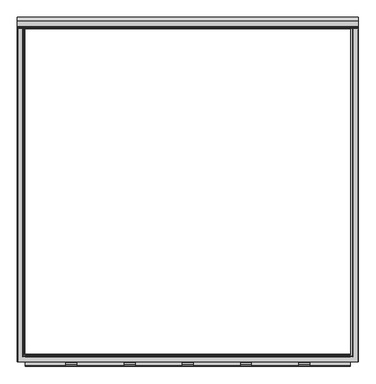
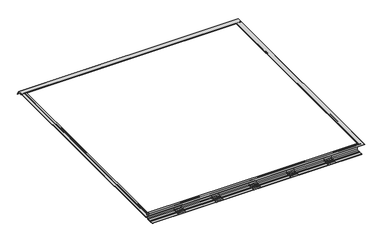
"""IFC4 building model written with IfcOpenShell, lengths in millimetres: fastener geometry."""

from ifc_helpers import new_model, si_unit, point, frame, frame_2d, origin, place, context, project, spatial, polyline, circle_curve, ellipse_curve, trimmed, segment, composite_curve, outline, extrude, source, transform, mapped, element, save
from ifc_brep_helpers import plane_surface, cylinder_surface, revolved_surface, advanced_brep


def fastener_3b03857c(model_context):
    return source(origin(), model_context, "Body", "SolidModel", [
        extrude(outline(composite_curve([segment(trimmed(circle_curve(frame_2d((-1145.5700599, -78.4836108)), 7.5509517), [point((-1138.0191082, -78.4836108))], [point((-1145.5700599, -86.0345625))], False, "CARTESIAN"), True, "CONTINUOUS"), segment(polyline([(-1145.5700599, -86.0345625), (-1177.5500422, -86.0345625)]), True, "CONTINUOUS"), segment(trimmed(circle_curve(frame_2d((-1177.2863618, -84.9784961)), 1.0884868), [point((-1177.5500422, -86.0345625))], [point((-1178.0560382, -84.2088197))], False, "CARTESIAN"), True, "CONTINUOUS"), segment(polyline([(-1178.0560382, -84.2088197), (-1176.7465916, -82.8993731)]), True, "CONTINUOUS"), segment(trimmed(circle_curve(frame_2d((-1177.516268, -82.1296966)), 1.0884868), [point((-1176.7465916, -82.8993731))], [point((-1176.911598, -81.2246122))], True, "CARTESIAN"), True, "CONTINUOUS"), segment(polyline([(-1176.911598, -81.2246122), (-1186.4250513, -81.2246122)]), True, "CONTINUOUS"), segment(trimmed(circle_curve(frame_2d((-1185.8203813, -82.1296966)), 1.0884868), [point((-1186.4250513, -81.2246122))], [point((-1186.5900578, -82.8993731))], True, "CARTESIAN"), True, "CONTINUOUS"), segment(polyline([(-1186.5900578, -82.8993731), (-1185.2806111, -84.2088197)]), True, "CONTINUOUS"), segment(trimmed(circle_curve(frame_2d((-1186.0502876, -84.9784961)), 1.0884868), [point((-1185.2806111, -84.2088197))], [point((-1185.7866071, -86.0345625))], False, "CARTESIAN"), True, "CONTINUOUS"), segment(polyline([(-1185.7866071, -86.0345625), (-1219.2, -86.0345625)]), True, "CONTINUOUS"), segment(trimmed(circle_curve(frame_2d((-1211.6858077, -85.3021667)), 7.5498006), [point((-1219.2, -86.0345625))], [point((-1211.6858077, -77.7523661))], False, "CARTESIAN"), True, "CONTINUOUS"), segment(polyline([(-1211.6858077, -77.7523661), (-1195.9627839, -77.7523661)]), True, "CONTINUOUS"), segment(trimmed(circle_curve(frame_2d((-1195.8562589, -73.7759938)), 3.977799), [point((-1195.9627839, -77.7523661))], [point((-1193.0435303, -76.5887224))], True, "CARTESIAN"), True, "CONTINUOUS"), segment(polyline([(-1193.0435303, -76.5887224), (-1190.9210407, -74.4662329)]), True, "CONTINUOUS"), segment(trimmed(circle_curve(frame_2d((-1188.1083121, -77.2789615)), 3.977799), [point((-1190.9210407, -74.4662329))], [point((-1188.0183247, -73.3021806))], False, "CARTESIAN"), True, "CONTINUOUS"), segment(polyline([(-1188.0183247, -73.3021806), (-1175.3183247, -73.3021806)]), True, "CONTINUOUS"), segment(trimmed(circle_curve(frame_2d((-1175.2283372, -77.2789615)), 3.977799), [point((-1175.3183247, -73.3021806))], [point((-1172.4156086, -74.4662329))], False, "CARTESIAN"), True, "CONTINUOUS"), segment(polyline([(-1172.4156086, -74.4662329), (-1170.2931191, -76.5887224)]), True, "CONTINUOUS"), segment(trimmed(circle_curve(frame_2d((-1167.4803904, -73.7759938)), 3.977799), [point((-1170.2931191, -76.5887224))], [point((-1167.3738655, -77.7523661))], True, "CARTESIAN"), True, "CONTINUOUS"), segment(polyline([(-1167.3738655, -77.7523661), (-1150.9842926, -77.7523661)]), True, "CONTINUOUS"), segment(trimmed(circle_curve(frame_2d((-1150.2040874, -71.9697836)), 5.8349791), [point((-1150.9842926, -77.7523661))], [point((-1144.3691082, -71.9697836))], True, "CARTESIAN"), True, "CONTINUOUS"), segment(polyline([(-1144.3691082, -71.9697836), (-1144.3691082, -38.7961108), (-1138.0191082, -38.7961108), (-1138.0191082, -78.4836108)]), True, "CONTINUOUS")], self_intersect=False)), frame((774.7, 0.0, 0.0), z_axis=(1.0, 0.0, 0.0), x_axis=(0.0, 1.0, 0.0)), (0.0, 0.0, 1.0), 76.2),
        extrude(outline(composite_curve([segment(trimmed(circle_curve(frame_2d((-1145.5700599, -78.4836108)), 7.5509517), [point((-1138.0191082, -78.4836108))], [point((-1145.5700599, -86.0345625))], False, "CARTESIAN"), True, "CONTINUOUS"), segment(polyline([(-1145.5700599, -86.0345625), (-1177.5500422, -86.0345625)]), True, "CONTINUOUS"), segment(trimmed(circle_curve(frame_2d((-1177.2863618, -84.9784961)), 1.0884868), [point((-1177.5500422, -86.0345625))], [point((-1178.0560382, -84.2088197))], False, "CARTESIAN"), True, "CONTINUOUS"), segment(polyline([(-1178.0560382, -84.2088197), (-1176.7465916, -82.8993731)]), True, "CONTINUOUS"), segment(trimmed(circle_curve(frame_2d((-1177.516268, -82.1296966)), 1.0884868), [point((-1176.7465916, -82.8993731))], [point((-1176.911598, -81.2246122))], True, "CARTESIAN"), True, "CONTINUOUS"), segment(polyline([(-1176.911598, -81.2246122), (-1186.4250513, -81.2246122)]), True, "CONTINUOUS"), segment(trimmed(circle_curve(frame_2d((-1185.8203813, -82.1296966)), 1.0884868), [point((-1186.4250513, -81.2246122))], [point((-1186.5900578, -82.8993731))], True, "CARTESIAN"), True, "CONTINUOUS"), segment(polyline([(-1186.5900578, -82.8993731), (-1185.2806111, -84.2088197)]), True, "CONTINUOUS"), segment(trimmed(circle_curve(frame_2d((-1186.0502876, -84.9784961)), 1.0884868), [point((-1185.2806111, -84.2088197))], [point((-1185.7866071, -86.0345625))], False, "CARTESIAN"), True, "CONTINUOUS"), segment(polyline([(-1185.7866071, -86.0345625), (-1219.2, -86.0345625)]), True, "CONTINUOUS"), segment(trimmed(circle_curve(frame_2d((-1211.6858077, -85.3021667)), 7.5498006), [point((-1219.2, -86.0345625))], [point((-1211.6858077, -77.7523661))], False, "CARTESIAN"), True, "CONTINUOUS"), segment(polyline([(-1211.6858077, -77.7523661), (-1195.9627839, -77.7523661)]), True, "CONTINUOUS"), segment(trimmed(circle_curve(frame_2d((-1195.8562589, -73.7759938)), 3.977799), [point((-1195.9627839, -77.7523661))], [point((-1193.0435303, -76.5887224))], True, "CARTESIAN"), True, "CONTINUOUS"), segment(polyline([(-1193.0435303, -76.5887224), (-1190.9210407, -74.4662329)]), True, "CONTINUOUS"), segment(trimmed(circle_curve(frame_2d((-1188.1083121, -77.2789615)), 3.977799), [point((-1190.9210407, -74.4662329))], [point((-1188.0183247, -73.3021806))], False, "CARTESIAN"), True, "CONTINUOUS"), segment(polyline([(-1188.0183247, -73.3021806), (-1175.3183247, -73.3021806)]), True, "CONTINUOUS"), segment(trimmed(circle_curve(frame_2d((-1175.2283372, -77.2789615)), 3.977799), [point((-1175.3183247, -73.3021806))], [point((-1172.4156086, -74.4662329))], False, "CARTESIAN"), True, "CONTINUOUS"), segment(polyline([(-1172.4156086, -74.4662329), (-1170.2931191, -76.5887224)]), True, "CONTINUOUS"), segment(trimmed(circle_curve(frame_2d((-1167.4803904, -73.7759938)), 3.977799), [point((-1170.2931191, -76.5887224))], [point((-1167.3738655, -77.7523661))], True, "CARTESIAN"), True, "CONTINUOUS"), segment(polyline([(-1167.3738655, -77.7523661), (-1150.9842926, -77.7523661)]), True, "CONTINUOUS"), segment(trimmed(circle_curve(frame_2d((-1150.2040874, -71.9697836)), 5.8349791), [point((-1150.9842926, -77.7523661))], [point((-1144.3691082, -71.9697836))], True, "CARTESIAN"), True, "CONTINUOUS"), segment(polyline([(-1144.3691082, -71.9697836), (-1144.3691082, -38.7961108), (-1138.0191082, -38.7961108), (-1138.0191082, -78.4836108)]), True, "CONTINUOUS")], self_intersect=False)), frame((-850.9, 0.0, 0.0), z_axis=(1.0, 0.0, 0.0), x_axis=(0.0, 1.0, 0.0)), (0.0, 0.0, 1.0), 76.2),
        extrude(outline(composite_curve([segment(trimmed(circle_curve(frame_2d((-1145.5700599, -78.4836108)), 7.5509517), [point((-1138.0191082, -78.4836108))], [point((-1145.5700599, -86.0345625))], False, "CARTESIAN"), True, "CONTINUOUS"), segment(polyline([(-1145.5700599, -86.0345625), (-1177.5500422, -86.0345625)]), True, "CONTINUOUS"), segment(trimmed(circle_curve(frame_2d((-1177.2863618, -84.9784961)), 1.0884868), [point((-1177.5500422, -86.0345625))], [point((-1178.0560382, -84.2088197))], False, "CARTESIAN"), True, "CONTINUOUS"), segment(polyline([(-1178.0560382, -84.2088197), (-1176.7465916, -82.8993731)]), True, "CONTINUOUS"), segment(trimmed(circle_curve(frame_2d((-1177.516268, -82.1296966)), 1.0884868), [point((-1176.7465916, -82.8993731))], [point((-1176.911598, -81.2246122))], True, "CARTESIAN"), True, "CONTINUOUS"), segment(polyline([(-1176.911598, -81.2246122), (-1186.4250513, -81.2246122)]), True, "CONTINUOUS"), segment(trimmed(circle_curve(frame_2d((-1185.8203813, -82.1296966)), 1.0884868), [point((-1186.4250513, -81.2246122))], [point((-1186.5900578, -82.8993731))], True, "CARTESIAN"), True, "CONTINUOUS"), segment(polyline([(-1186.5900578, -82.8993731), (-1185.2806111, -84.2088197)]), True, "CONTINUOUS"), segment(trimmed(circle_curve(frame_2d((-1186.0502876, -84.9784961)), 1.0884868), [point((-1185.2806111, -84.2088197))], [point((-1185.7866071, -86.0345625))], False, "CARTESIAN"), True, "CONTINUOUS"), segment(polyline([(-1185.7866071, -86.0345625), (-1219.2, -86.0345625)]), True, "CONTINUOUS"), segment(trimmed(circle_curve(frame_2d((-1211.6858077, -85.3021667)), 7.5498006), [point((-1219.2, -86.0345625))], [point((-1211.6858077, -77.7523661))], False, "CARTESIAN"), True, "CONTINUOUS"), segment(polyline([(-1211.6858077, -77.7523661), (-1195.9627839, -77.7523661)]), True, "CONTINUOUS"), segment(trimmed(circle_curve(frame_2d((-1195.8562589, -73.7759938)), 3.977799), [point((-1195.9627839, -77.7523661))], [point((-1193.0435303, -76.5887224))], True, "CARTESIAN"), True, "CONTINUOUS"), segment(polyline([(-1193.0435303, -76.5887224), (-1190.9210407, -74.4662329)]), True, "CONTINUOUS"), segment(trimmed(circle_curve(frame_2d((-1188.1083121, -77.2789615)), 3.977799), [point((-1190.9210407, -74.4662329))], [point((-1188.0183247, -73.3021806))], False, "CARTESIAN"), True, "CONTINUOUS"), segment(polyline([(-1188.0183247, -73.3021806), (-1175.3183247, -73.3021806)]), True, "CONTINUOUS"), segment(trimmed(circle_curve(frame_2d((-1175.2283372, -77.2789615)), 3.977799), [point((-1175.3183247, -73.3021806))], [point((-1172.4156086, -74.4662329))], False, "CARTESIAN"), True, "CONTINUOUS"), segment(polyline([(-1172.4156086, -74.4662329), (-1170.2931191, -76.5887224)]), True, "CONTINUOUS"), segment(trimmed(circle_curve(frame_2d((-1167.4803904, -73.7759938)), 3.977799), [point((-1170.2931191, -76.5887224))], [point((-1167.3738655, -77.7523661))], True, "CARTESIAN"), True, "CONTINUOUS"), segment(polyline([(-1167.3738655, -77.7523661), (-1150.9842926, -77.7523661)]), True, "CONTINUOUS"), segment(trimmed(circle_curve(frame_2d((-1150.2040874, -71.9697836)), 5.8349791), [point((-1150.9842926, -77.7523661))], [point((-1144.3691082, -71.9697836))], True, "CARTESIAN"), True, "CONTINUOUS"), segment(polyline([(-1144.3691082, -71.9697836), (-1144.3691082, -38.7961108), (-1138.0191082, -38.7961108), (-1138.0191082, -78.4836108)]), True, "CONTINUOUS")], self_intersect=False)), frame((-444.5, 0.0, 0.0), z_axis=(1.0, 0.0, 0.0), x_axis=(0.0, 1.0, 0.0)), (0.0, 0.0, 1.0), 76.2),
        extrude(outline(composite_curve([segment(trimmed(circle_curve(frame_2d((-1145.5700599, -78.4836108)), 7.5509517), [point((-1138.0191082, -78.4836108))], [point((-1145.5700599, -86.0345625))], False, "CARTESIAN"), True, "CONTINUOUS"), segment(polyline([(-1145.5700599, -86.0345625), (-1177.5500422, -86.0345625)]), True, "CONTINUOUS"), segment(trimmed(circle_curve(frame_2d((-1177.2863618, -84.9784961)), 1.0884868), [point((-1177.5500422, -86.0345625))], [point((-1178.0560382, -84.2088197))], False, "CARTESIAN"), True, "CONTINUOUS"), segment(polyline([(-1178.0560382, -84.2088197), (-1176.7465916, -82.8993731)]), True, "CONTINUOUS"), segment(trimmed(circle_curve(frame_2d((-1177.516268, -82.1296966)), 1.0884868), [point((-1176.7465916, -82.8993731))], [point((-1176.911598, -81.2246122))], True, "CARTESIAN"), True, "CONTINUOUS"), segment(polyline([(-1176.911598, -81.2246122), (-1186.4250513, -81.2246122)]), True, "CONTINUOUS"), segment(trimmed(circle_curve(frame_2d((-1185.8203813, -82.1296966)), 1.0884868), [point((-1186.4250513, -81.2246122))], [point((-1186.5900578, -82.8993731))], True, "CARTESIAN"), True, "CONTINUOUS"), segment(polyline([(-1186.5900578, -82.8993731), (-1185.2806111, -84.2088197)]), True, "CONTINUOUS"), segment(trimmed(circle_curve(frame_2d((-1186.0502876, -84.9784961)), 1.0884868), [point((-1185.2806111, -84.2088197))], [point((-1185.7866071, -86.0345625))], False, "CARTESIAN"), True, "CONTINUOUS"), segment(polyline([(-1185.7866071, -86.0345625), (-1219.2, -86.0345625)]), True, "CONTINUOUS"), segment(trimmed(circle_curve(frame_2d((-1211.6858077, -85.3021667)), 7.5498006), [point((-1219.2, -86.0345625))], [point((-1211.6858077, -77.7523661))], False, "CARTESIAN"), True, "CONTINUOUS"), segment(polyline([(-1211.6858077, -77.7523661), (-1195.9627839, -77.7523661)]), True, "CONTINUOUS"), segment(trimmed(circle_curve(frame_2d((-1195.8562589, -73.7759938)), 3.977799), [point((-1195.9627839, -77.7523661))], [point((-1193.0435303, -76.5887224))], True, "CARTESIAN"), True, "CONTINUOUS"), segment(polyline([(-1193.0435303, -76.5887224), (-1190.9210407, -74.4662329)]), True, "CONTINUOUS"), segment(trimmed(circle_curve(frame_2d((-1188.1083121, -77.2789615)), 3.977799), [point((-1190.9210407, -74.4662329))], [point((-1188.0183247, -73.3021806))], False, "CARTESIAN"), True, "CONTINUOUS"), segment(polyline([(-1188.0183247, -73.3021806), (-1175.3183247, -73.3021806)]), True, "CONTINUOUS"), segment(trimmed(circle_curve(frame_2d((-1175.2283372, -77.2789615)), 3.977799), [point((-1175.3183247, -73.3021806))], [point((-1172.4156086, -74.4662329))], False, "CARTESIAN"), True, "CONTINUOUS"), segment(polyline([(-1172.4156086, -74.4662329), (-1170.2931191, -76.5887224)]), True, "CONTINUOUS"), segment(trimmed(circle_curve(frame_2d((-1167.4803904, -73.7759938)), 3.977799), [point((-1170.2931191, -76.5887224))], [point((-1167.3738655, -77.7523661))], True, "CARTESIAN"), True, "CONTINUOUS"), segment(polyline([(-1167.3738655, -77.7523661), (-1150.9842926, -77.7523661)]), True, "CONTINUOUS"), segment(trimmed(circle_curve(frame_2d((-1150.2040874, -71.9697836)), 5.8349791), [point((-1150.9842926, -77.7523661))], [point((-1144.3691082, -71.9697836))], True, "CARTESIAN"), True, "CONTINUOUS"), segment(polyline([(-1144.3691082, -71.9697836), (-1144.3691082, -38.7961108), (-1138.0191082, -38.7961108), (-1138.0191082, -78.4836108)]), True, "CONTINUOUS")], self_intersect=False)), frame((368.3, 0.0, 0.0), z_axis=(1.0, 0.0, 0.0), x_axis=(0.0, 1.0, 0.0)), (0.0, 0.0, 1.0), 76.2),
        extrude(outline(composite_curve([segment(trimmed(circle_curve(frame_2d((-1145.5700599, -78.4836108)), 7.5509517), [point((-1138.0191082, -78.4836108))], [point((-1145.5700599, -86.0345625))], False, "CARTESIAN"), True, "CONTINUOUS"), segment(polyline([(-1145.5700599, -86.0345625), (-1177.5500422, -86.0345625)]), True, "CONTINUOUS"), segment(trimmed(circle_curve(frame_2d((-1177.2863618, -84.9784961)), 1.0884868), [point((-1177.5500422, -86.0345625))], [point((-1178.0560382, -84.2088197))], False, "CARTESIAN"), True, "CONTINUOUS"), segment(polyline([(-1178.0560382, -84.2088197), (-1176.7465916, -82.8993731)]), True, "CONTINUOUS"), segment(trimmed(circle_curve(frame_2d((-1177.516268, -82.1296966)), 1.0884868), [point((-1176.7465916, -82.8993731))], [point((-1176.911598, -81.2246122))], True, "CARTESIAN"), True, "CONTINUOUS"), segment(polyline([(-1176.911598, -81.2246122), (-1186.4250513, -81.2246122)]), True, "CONTINUOUS"), segment(trimmed(circle_curve(frame_2d((-1185.8203813, -82.1296966)), 1.0884868), [point((-1186.4250513, -81.2246122))], [point((-1186.5900578, -82.8993731))], True, "CARTESIAN"), True, "CONTINUOUS"), segment(polyline([(-1186.5900578, -82.8993731), (-1185.2806111, -84.2088197)]), True, "CONTINUOUS"), segment(trimmed(circle_curve(frame_2d((-1186.0502876, -84.9784961)), 1.0884868), [point((-1185.2806111, -84.2088197))], [point((-1185.7866071, -86.0345625))], False, "CARTESIAN"), True, "CONTINUOUS"), segment(polyline([(-1185.7866071, -86.0345625), (-1219.2, -86.0345625)]), True, "CONTINUOUS"), segment(trimmed(circle_curve(frame_2d((-1211.6858077, -85.3021667)), 7.5498006), [point((-1219.2, -86.0345625))], [point((-1211.6858077, -77.7523661))], False, "CARTESIAN"), True, "CONTINUOUS"), segment(polyline([(-1211.6858077, -77.7523661), (-1195.9627839, -77.7523661)]), True, "CONTINUOUS"), segment(trimmed(circle_curve(frame_2d((-1195.8562589, -73.7759938)), 3.977799), [point((-1195.9627839, -77.7523661))], [point((-1193.0435303, -76.5887224))], True, "CARTESIAN"), True, "CONTINUOUS"), segment(polyline([(-1193.0435303, -76.5887224), (-1190.9210407, -74.4662329)]), True, "CONTINUOUS"), segment(trimmed(circle_curve(frame_2d((-1188.1083121, -77.2789615)), 3.977799), [point((-1190.9210407, -74.4662329))], [point((-1188.0183247, -73.3021806))], False, "CARTESIAN"), True, "CONTINUOUS"), segment(polyline([(-1188.0183247, -73.3021806), (-1175.3183247, -73.3021806)]), True, "CONTINUOUS"), segment(trimmed(circle_curve(frame_2d((-1175.2283372, -77.2789615)), 3.977799), [point((-1175.3183247, -73.3021806))], [point((-1172.4156086, -74.4662329))], False, "CARTESIAN"), True, "CONTINUOUS"), segment(polyline([(-1172.4156086, -74.4662329), (-1170.2931191, -76.5887224)]), True, "CONTINUOUS"), segment(trimmed(circle_curve(frame_2d((-1167.4803904, -73.7759938)), 3.977799), [point((-1170.2931191, -76.5887224))], [point((-1167.3738655, -77.7523661))], True, "CARTESIAN"), True, "CONTINUOUS"), segment(polyline([(-1167.3738655, -77.7523661), (-1150.9842926, -77.7523661)]), True, "CONTINUOUS"), segment(trimmed(circle_curve(frame_2d((-1150.2040874, -71.9697836)), 5.8349791), [point((-1150.9842926, -77.7523661))], [point((-1144.3691082, -71.9697836))], True, "CARTESIAN"), True, "CONTINUOUS"), segment(polyline([(-1144.3691082, -71.9697836), (-1144.3691082, -38.7961108), (-1138.0191082, -38.7961108), (-1138.0191082, -78.4836108)]), True, "CONTINUOUS")], self_intersect=False)), frame((-38.1, 0.0, 0.0), z_axis=(1.0, 0.0, 0.0), x_axis=(0.0, 1.0, 0.0)), (0.0, 0.0, 1.0), 76.2),
        extrude(outline(composite_curve([segment(polyline([(-1135.3165, -15.1804688), (-1135.3165, -88.7015625), (-1217.8665, -88.7015625)]), True, "CONTINUOUS"), segment(trimmed(circle_curve(frame_2d((-1217.8665, -87.3680625)), 1.3335), [point((-1217.8665, -88.7015625))], [point((-1217.8665, -86.0345625))], False, "CARTESIAN"), True, "CONTINUOUS"), segment(polyline([(-1217.8665, -86.0345625), (-1185.7509989, -86.0345625)]), True, "CONTINUOUS"), segment(trimmed(circle_curve(frame_2d((-1186.0146793, -84.9784961)), 1.0884868), [point((-1185.7509989, -86.0345625))], [point((-1185.2450029, -84.2088197))], True, "CARTESIAN"), True, "CONTINUOUS"), segment(polyline([(-1185.2450029, -84.2088197), (-1186.5544495, -82.8993731)]), True, "CONTINUOUS"), segment(trimmed(circle_curve(frame_2d((-1185.7847731, -82.1296966)), 1.0884868), [point((-1186.5544495, -82.8993731))], [point((-1186.389443, -81.2246122))], False, "CARTESIAN"), True, "CONTINUOUS"), segment(polyline([(-1186.389443, -81.2246122), (-1176.8759898, -81.2246122)]), True, "CONTINUOUS"), segment(trimmed(circle_curve(frame_2d((-1177.4806597, -82.1296966)), 1.0884868), [point((-1176.8759898, -81.2246122))], [point((-1176.7109833, -82.8993731))], False, "CARTESIAN"), True, "CONTINUOUS"), segment(polyline([(-1176.7109833, -82.8993731), (-1178.0204299, -84.2088197)]), True, "CONTINUOUS"), segment(trimmed(circle_curve(frame_2d((-1177.2507535, -84.9784961)), 1.0884868), [point((-1178.0204299, -84.2088197))], [point((-1177.5144339, -86.0345625))], True, "CARTESIAN"), True, "CONTINUOUS"), segment(polyline([(-1177.5144339, -86.0345625), (-1145.5344517, -86.0345625)]), True, "CONTINUOUS"), segment(trimmed(circle_curve(frame_2d((-1145.5344517, -78.4836108)), 7.5509517), [point((-1145.5344517, -86.0345625))], [point((-1137.9835, -78.4836108))], True, "CARTESIAN"), True, "CONTINUOUS"), segment(polyline([(-1137.9835, -78.4836108), (-1137.9835, -21.87801), (-1156.2117258, -21.87801), (-1156.2117258, -15.1804688), (-1152.1178999, -15.1804688)]), True, "CONTINUOUS"), segment(trimmed(circle_curve(frame_2d((-1152.8274757, -16.2725079)), 1.3023238), [point((-1152.1178999, -15.1804688))], [point((-1151.9131963, -17.1999455))], False, "CARTESIAN"), True, "CONTINUOUS"), segment(polyline([(-1151.9131963, -17.1999455), (-1152.9649499, -18.2679836)]), True, "CONTINUOUS"), segment(trimmed(circle_curve(frame_2d((-1152.5091166, -18.6293281)), 0.5816819), [point((-1152.9649499, -18.2679836))], [point((-1152.5091166, -19.21101))], True, "CARTESIAN"), True, "CONTINUOUS"), segment(polyline([(-1152.5091166, -19.21101), (-1140.8594568, -19.21101)]), True, "CONTINUOUS"), segment(trimmed(circle_curve(frame_2d((-1140.8594568, -18.6130003)), 0.5980097), [point((-1140.8594568, -19.21101))], [point((-1140.3710112, -18.2679836))], True, "CARTESIAN"), True, "CONTINUOUS"), segment(polyline([(-1140.3710112, -18.2679836), (-1141.460117, -17.1999455)]), True, "CONTINUOUS"), segment(trimmed(circle_curve(frame_2d((-1140.5022273, -16.284676)), 1.3248664), [point((-1141.460117, -17.1999455))], [point((-1141.2343456, -15.1804688))], False, "CARTESIAN"), True, "CONTINUOUS"), segment(polyline([(-1141.2343456, -15.1804688), (-1135.3165, -15.1804688)]), True, "CONTINUOUS")], self_intersect=False)), frame((-1135.3165, 0.0, 0.0), z_axis=(1.0, 0.0, 0.0), x_axis=(0.0, 1.0, 0.0)), (0.0, 0.0, 1.0), 2270.633),
        advanced_brep(
        [(-1189.1053092, 1141.2343456, -15.1685625), (-1189.1053092, 1135.3165, -15.1685625), (-1189.1053092, 1135.3165, -13.8350625), (-1189.1053092, 1135.3165, -12.5015625), (-1189.1053092, 1190.6451024, -12.5015625), (-1189.1053092, 1217.7515464, -59.4513008), (-1189.1053092, 1215.4418567, -60.7848008), (-1189.1053092, 1189.1053092, -15.1685625), (-1189.1053092, 1161.8308783, -15.1685625), (-1189.1053092, 1159.573508, -17.4259327), (-1189.1053092, 1159.573508, -26.7633474), (-1189.1053092, 1149.6719492, -26.7633474), (-1189.1053092, 1149.6719492, -24.7662067), (-1189.1053092, 1150.5032605, -24.7662067), (-1189.1053092, 1151.5117177, -23.7577495), (-1189.1053092, 1151.5117177, -21.8661038), (-1189.1053092, 1156.2117258, -21.8661038), (-1189.1053092, 1156.2117258, -15.1685625), (-1189.1053092, 1152.1178999, -15.1685625), (-1189.1053092, 1151.9131963, -17.2095918), (-1189.1053092, 1152.9812344, -18.2776299), (-1189.1053092, 1152.5091166, -19.1991038), (-1189.1053092, 1140.8431289, -19.1991038), (-1189.1053092, 1140.3710112, -18.2776299), (-1189.1053092, 1141.4390493, -17.2095918), (1189.1053092, 1141.2343456, -15.1685625), (1189.1053092, 1141.4390493, -17.2095918), (1189.1053092, 1140.3710112, -18.2776299), (1189.1053092, 1140.8431289, -19.1991038), (1189.1053092, 1152.5091166, -19.1991038), (1189.1053092, 1152.9812344, -18.2776299), (1189.1053092, 1151.9131963, -17.2095918), (1189.1053092, 1152.1178999, -15.1685625), (1189.1053092, 1156.2117258, -15.1685625), (1189.1053092, 1156.2117258, -21.8661038), (1189.1053092, 1151.5117177, -21.8661038), (1189.1053092, 1151.5117177, -23.7577495), (1189.1053092, 1150.5032605, -24.7662067), (1189.1053092, 1149.6719492, -24.7662067), (1189.1053092, 1149.6719492, -26.7633474), (1189.1053092, 1159.573508, -26.7633474), (1189.1053092, 1159.573508, -17.4259327), (1189.1053092, 1161.8308783, -15.1685625), (1189.1053092, 1189.1053092, -15.1685625), (1189.1053092, 1215.4418567, -60.7848008), (1189.1053092, 1217.7515464, -59.4513008), (1189.1053092, 1190.6451024, -12.5015625), (1189.1053092, 1135.3165, -12.5015625), (1189.1053092, 1135.3165, -13.8350625), (1189.1053092, 1135.3165, -15.1685625), (1187.7718092, 1135.3165, -15.1685625), (1187.7718092, -1187.7718092, -15.1685625), (-1187.7718092, -1187.7718092, -15.1685625), (-1187.7718092, 1135.3165, -15.1685625), (1135.3165, 1135.3165, -15.1685625), (-1135.3165, 1135.3165, -15.1685625), (-1135.3165, -1135.3165, -15.1685625), (1135.3165, -1135.3165, -15.1685625), (-1141.2160631, 1135.3165, -15.1685625), (-1152.1361825, 1135.3165, -15.1685625), (-1152.1361825, -1152.1361825, -15.1685625), (1152.1361825, -1152.1361825, -15.1685625), (1152.1361825, 1135.3165, -15.1685625), (1141.2160631, 1135.3165, -15.1685625), (1141.2160631, -1141.2160631, -15.1685625), (-1141.2160631, -1141.2160631, -15.1685625), (-1156.2117258, 1135.3165, -15.1685625), (-1161.8308783, 1135.3165, -15.1685625), (-1161.8308783, -1161.8308783, -15.1685625), (1161.8308783, -1161.8308783, -15.1685625), (1161.8308783, 1135.3165, -15.1685625), (1156.2117258, 1135.3165, -15.1685625), (1156.2117258, -1156.2117258, -15.1685625), (-1156.2117258, -1156.2117258, -15.1685625), (-1187.7718092, 1135.3165, -12.5015625), (1187.7718092, 1135.3165, -12.5015625), (1135.3165, 1135.3165, -12.5015625), (-1135.3165, 1135.3165, -12.5015625), (-1187.7718092, -1187.7718092, -12.5015625), (1187.7718092, -1187.7718092, -12.5015625), (1135.3165, -1135.3165, -12.5015625), (-1135.3165, -1135.3165, -12.5015625), (-1141.4390493, 1135.3165, -17.221498), (-1140.3710112, 1135.3165, -18.2895361), (-1140.8431289, 1135.3165, -19.21101), (-1152.5091166, 1135.3165, -19.21101), (-1152.9812344, 1135.3165, -18.2895361), (-1151.9131963, 1135.3165, -17.221498), (-1156.2117258, 1135.3165, -21.87801), (-1151.5117177, 1135.3165, -21.87801), (-1151.5117177, 1135.3165, -23.7696558), (-1150.5032605, 1135.3165, -24.7781129), (-1149.6719492, 1135.3165, -24.7781129), (-1149.6719492, 1135.3165, -26.7633474), (-1159.573508, 1135.3165, -26.7633474), (-1159.573508, 1135.3165, -17.4259327), (-1141.4390493, -1141.4390493, -17.221498), (-1140.3710112, -1140.3710112, -18.2895361), (-1140.8431289, -1140.8431289, -19.21101), (1140.8431289, -1140.8431289, -19.21101), (1140.8431289, 1135.3165, -19.21101), (1152.5091166, 1135.3165, -19.21101), (1152.5091166, -1152.5091166, -19.21101), (-1152.5091166, -1152.5091166, -19.21101), (-1152.9812344, -1152.9812344, -18.2895361), (-1151.9131963, -1151.9131963, -17.221498), (-1156.2117258, -1156.2117258, -21.87801), (1156.2117258, -1156.2117258, -21.87801), (1156.2117258, 1135.3165, -21.87801), (1151.5117177, 1135.3165, -21.87801), (1151.5117177, -1151.5117177, -21.87801), (-1151.5117177, -1151.5117177, -21.87801), (-1151.5117177, -1151.5117177, -23.7696558), (-1150.5032605, -1150.5032605, -24.7781129), (1150.5032605, -1150.5032605, -24.7781129), (1150.5032605, 1135.3165, -24.7781129), (1149.6719492, 1135.3165, -24.7781129), (1149.6719492, -1149.6719492, -24.7781129), (-1149.6719492, -1149.6719492, -24.7781129), (-1149.6719492, -1149.6719492, -26.7633474), (1149.6719492, -1149.6719492, -26.7633474), (1149.6719492, 1135.3165, -26.7633474), (1159.573508, 1135.3165, -26.7633474), (1159.573508, -1159.573508, -26.7633474), (-1159.573508, -1159.573508, -26.7633474), (-1159.573508, -1159.573508, -17.4259327), (1141.4390493, -1141.4390493, -17.221498), (1140.3710112, -1140.3710112, -18.2895361), (1152.9812344, -1152.9812344, -18.2895361), (1151.9131963, -1151.9131963, -17.221498), (1151.5117177, -1151.5117177, -23.7696558), (1159.573508, -1159.573508, -17.4259327), (1140.3710112, 1135.3165, -18.2895361), (1141.4390493, 1135.3165, -17.221498), (1151.9131963, 1135.3165, -17.221498), (1152.9812344, 1135.3165, -18.2895361), (1159.573508, 1135.3165, -17.4259327), (1151.5117177, 1135.3165, -23.7696558)],
        [
            (0, 1),
            (1, 2),
            (2, 3),
            (3, 4),
            (4, 5),
            (5, 6),
            (6, 7),
            (7, 8),
            (8, 9, circle_curve(frame((-1189.1053092, 1161.8308783, -17.4259327), z_axis=(1.0, 0.0, 0.0), x_axis=(0.0, 1.0, 0.0)), 2.2573702)),
            (9, 10),
            (10, 11),
            (11, 12, circle_curve(frame((-1189.1053092, 1149.6719492, -25.764777), z_axis=(-1.0, 0.0, 0.0), x_axis=(0.0, 1.0, 0.0)), 0.9985703)),
            (12, 13),
            (13, 14, circle_curve(frame((-1189.1053092, 1150.5032605, -23.7577495), z_axis=(1.0, 0.0, 0.0), x_axis=(0.0, 1.0, 0.0)), 1.0084572)),
            (14, 15),
            (15, 16),
            (16, 17),
            (17, 18),
            (18, 19, circle_curve(frame((-1189.1053092, 1152.8500183, -16.2727698), z_axis=(1.0, 0.0, 0.0), x_axis=(0.0, 1.0, 0.0)), 1.3248664)),
            (19, 20),
            (20, 21, circle_curve(frame((-1189.1053092, 1152.5091166, -18.6174219), z_axis=(-1.0, 0.0, 0.0), x_axis=(0.0, 1.0, 0.0)), 0.5816819)),
            (21, 22),
            (22, 23, circle_curve(frame((-1189.1053092, 1140.8431289, -18.6174219), z_axis=(-1.0, 0.0, 0.0), x_axis=(0.0, 1.0, 0.0)), 0.5816819)),
            (23, 24),
            (24, 0, circle_curve(frame((-1189.1053092, 1140.5022273, -16.2727698), z_axis=(1.0, 0.0, 0.0), x_axis=(0.0, 1.0, 0.0)), 1.3248664)),
            (25, 26, circle_curve(frame((1189.1053092, 1140.5022273, -16.2727698), z_axis=(-1.0, 0.0, 0.0), x_axis=(0.0, 1.0, 0.0)), 1.3248664)),
            (26, 27),
            (27, 28, circle_curve(frame((1189.1053092, 1140.8431289, -18.6174219), z_axis=(1.0, 0.0, 0.0), x_axis=(0.0, 1.0, 0.0)), 0.5816819)),
            (28, 29),
            (29, 30, circle_curve(frame((1189.1053092, 1152.5091166, -18.6174219), z_axis=(1.0, 0.0, 0.0), x_axis=(0.0, 1.0, 0.0)), 0.5816819)),
            (30, 31),
            (31, 32, circle_curve(frame((1189.1053092, 1152.8500183, -16.2727698), z_axis=(-1.0, 0.0, 0.0), x_axis=(0.0, 1.0, 0.0)), 1.3248664)),
            (32, 33),
            (33, 34),
            (34, 35),
            (35, 36),
            (36, 37, circle_curve(frame((1189.1053092, 1150.5032605, -23.7577495), z_axis=(-1.0, 0.0, 0.0), x_axis=(0.0, 1.0, 0.0)), 1.0084572)),
            (37, 38),
            (38, 39, circle_curve(frame((1189.1053092, 1149.6719492, -25.764777), z_axis=(1.0, 0.0, 0.0), x_axis=(0.0, 1.0, 0.0)), 0.9985703)),
            (39, 40),
            (40, 41),
            (41, 42, circle_curve(frame((1189.1053092, 1161.8308783, -17.4259327), z_axis=(-1.0, 0.0, 0.0), x_axis=(0.0, 1.0, 0.0)), 2.2573702)),
            (42, 43),
            (43, 44),
            (44, 45),
            (45, 46),
            (46, 47),
            (47, 48),
            (48, 49),
            (49, 25),
            (0, 25),
            (49, 50),
            (50, 51),
            (51, 52),
            (52, 53),
            (53, 1),
            (54, 55),
            (55, 56),
            (56, 57),
            (57, 54),
            (58, 59),
            (59, 60),
            (60, 61),
            (61, 62),
            (62, 63),
            (63, 64),
            (64, 65),
            (65, 58),
            (66, 67),
            (67, 68),
            (68, 69),
            (69, 70),
            (70, 71),
            (71, 72),
            (72, 73),
            (73, 66),
            (53, 2, circle_curve(frame((-1187.7718092, 1135.3165, -13.8350625), z_axis=(0.0, 1.0, 0.0), x_axis=(1.0, 0.0, 0.0)), 1.3335)),
            (2, 74, circle_curve(frame((-1187.7718092, 1135.3165, -13.8350625), z_axis=(0.0, 1.0, 0.0), x_axis=(1.0, 0.0, 0.0)), 1.3335)),
            (74, 3),
            (47, 75),
            (75, 48, circle_curve(frame((1187.7718092, 1135.3165, -13.8350625), z_axis=(0.0, 1.0, 0.0), x_axis=(-1.0, 0.0, 0.0)), 1.3335)),
            (48, 50, circle_curve(frame((1187.7718092, 1135.3165, -13.8350625), z_axis=(0.0, 1.0, 0.0), x_axis=(-1.0, 0.0, 0.0)), 1.3335)),
            (54, 76),
            (76, 77),
            (77, 55),
            (74, 78),
            (78, 79),
            (79, 75),
            (46, 4),
            (76, 80),
            (80, 81),
            (81, 77),
            (45, 5),
            (44, 6),
            (43, 7),
            (42, 8),
            (41, 9),
            (40, 10),
            (39, 11),
            (38, 12),
            (37, 13),
            (36, 14),
            (35, 15),
            (34, 16),
            (33, 17),
            (32, 18),
            (19, 31),
            (30, 20),
            (29, 21),
            (28, 22),
            (27, 23),
            (26, 24),
            (58, 82, circle_curve(frame((-1140.5022273, 1135.3165, -16.284676), z_axis=(0.0, -1.0, 0.0), x_axis=(1.0, 0.0, 0.0)), 1.3248664)),
            (82, 83),
            (83, 84, circle_curve(frame((-1140.8431289, 1135.3165, -18.6293281), z_axis=(0.0, 1.0, 0.0), x_axis=(1.0, 0.0, 0.0)), 0.5816819)),
            (84, 85),
            (85, 86, circle_curve(frame((-1152.5091166, 1135.3165, -18.6293281), z_axis=(0.0, 1.0, 0.0), x_axis=(1.0, 0.0, 0.0)), 0.5816819)),
            (86, 87),
            (87, 59, circle_curve(frame((-1152.8500183, 1135.3165, -16.284676), z_axis=(0.0, -1.0, 0.0), x_axis=(1.0, 0.0, 0.0)), 1.3248664)),
            (66, 88),
            (88, 89),
            (89, 90),
            (90, 91, circle_curve(frame((-1150.5032605, 1135.3165, -23.7696558), z_axis=(0.0, -1.0, 0.0), x_axis=(1.0, 0.0, 0.0)), 1.0084572)),
            (91, 92),
            (92, 93, circle_curve(frame((-1149.6719492, 1135.3165, -25.7707301), z_axis=(0.0, 1.0, 0.0), x_axis=(1.0, 0.0, 0.0)), 0.9926172)),
            (93, 94),
            (94, 95),
            (95, 67, circle_curve(frame((-1161.8308783, 1135.3165, -17.4259327), z_axis=(0.0, -1.0, 0.0), x_axis=(1.0, 0.0, 0.0)), 2.2573702)),
            (65, 96, ellipse_curve(frame((-1140.5022273, -1140.5022273, -16.284676), z_axis=(0.7071067811865475, -0.7071067811865475, 0.0), x_axis=(-0.7071067811865474, -0.7071067811865476, 0.0)), 1.873644, 1.3248664)),
            (96, 82),
            (96, 97),
            (97, 83),
            (97, 98, ellipse_curve(frame((-1140.8431289, -1140.8431289, -18.6293281), z_axis=(-0.7071067811865475, 0.7071067811865475, 0.0), x_axis=(0.7071067811865474, 0.7071067811865476, 0.0)), 0.8226224, 0.5816819)),
            (98, 84),
            (98, 99),
            (99, 100),
            (100, 101),
            (101, 102),
            (102, 103),
            (103, 85),
            (103, 104, ellipse_curve(frame((-1152.5091166, -1152.5091166, -18.6293281), z_axis=(-0.7071067811865475, 0.7071067811865475, 0.0), x_axis=(0.7071067811865474, 0.7071067811865476, 0.0)), 0.8226224, 0.5816819)),
            (104, 86),
            (104, 105),
            (105, 87),
            (105, 60, ellipse_curve(frame((-1152.8500183, -1152.8500183, -16.284676), z_axis=(0.7071067811865475, -0.7071067811865475, 0.0), x_axis=(-0.7071067811865474, -0.7071067811865476, 0.0)), 1.873644, 1.3248664)),
            (73, 106),
            (106, 88),
            (106, 107),
            (107, 108),
            (108, 109),
            (109, 110),
            (110, 111),
            (111, 89),
            (111, 112),
            (112, 90),
            (112, 113, ellipse_curve(frame((-1150.5032605, -1150.5032605, -23.7696558), z_axis=(0.7071067811865475, -0.7071067811865475, 0.0), x_axis=(-0.7071067811865474, -0.7071067811865476, 0.0)), 1.4261738, 1.0084572)),
            (113, 91),
            (113, 114),
            (114, 115),
            (115, 116),
            (116, 117),
            (117, 118),
            (118, 92),
            (118, 119, ellipse_curve(frame((-1149.6719492, -1149.6719492, -25.7707301), z_axis=(-0.7071067811865475, 0.7071067811865475, 0.0), x_axis=(0.7071067811865474, 0.7071067811865476, 0.0)), 1.4037727, 0.9926172)),
            (119, 93),
            (119, 120),
            (120, 121),
            (121, 122),
            (122, 123),
            (123, 124),
            (124, 94),
            (124, 125),
            (125, 95),
            (125, 68, ellipse_curve(frame((-1161.8308783, -1161.8308783, -17.4259327), z_axis=(0.7071067811865475, -0.7071067811865475, 0.0), x_axis=(-0.7071067811865474, -0.7071067811865476, 0.0)), 3.1924036, 2.2573702)),
            (52, 78, ellipse_curve(frame((-1187.7718092, -1187.7718092, -13.8350625), z_axis=(-0.7071067811865475, 0.7071067811865475, 0.0), x_axis=(0.7071067811865474, 0.7071067811865476, 0.0)), 1.8858538, 1.3335)),
            (81, 56),
            (64, 126, ellipse_curve(frame((1140.5022273, -1140.5022273, -16.284676), z_axis=(0.7071067811865475, 0.7071067811865475, 0.0), x_axis=(0.7071067811865476, -0.7071067811865474, 0.0)), 1.873644, 1.3248664)),
            (126, 96),
            (126, 127),
            (127, 97),
            (127, 99, ellipse_curve(frame((1140.8431289, -1140.8431289, -18.6293281), z_axis=(-0.7071067811865475, -0.7071067811865475, 0.0), x_axis=(-0.7071067811865476, 0.7071067811865474, 0.0)), 0.8226224, 0.5816819)),
            (102, 128, ellipse_curve(frame((1152.5091166, -1152.5091166, -18.6293281), z_axis=(-0.7071067811865475, -0.7071067811865475, 0.0), x_axis=(-0.7071067811865476, 0.7071067811865474, 0.0)), 0.8226224, 0.5816819)),
            (128, 104),
            (128, 129),
            (129, 105),
            (129, 61, ellipse_curve(frame((1152.8500183, -1152.8500183, -16.284676), z_axis=(0.7071067811865475, 0.7071067811865475, 0.0), x_axis=(0.7071067811865476, -0.7071067811865474, 0.0)), 1.873644, 1.3248664)),
            (72, 107),
            (110, 130),
            (130, 112),
            (130, 114, ellipse_curve(frame((1150.5032605, -1150.5032605, -23.7696558), z_axis=(0.7071067811865475, 0.7071067811865475, 0.0), x_axis=(0.7071067811865476, -0.7071067811865474, 0.0)), 1.4261738, 1.0084572)),
            (117, 120, ellipse_curve(frame((1149.6719492, -1149.6719492, -25.7707301), z_axis=(-0.7071067811865475, -0.7071067811865475, 0.0), x_axis=(-0.7071067811865476, 0.7071067811865474, 0.0)), 1.4037727, 0.9926172)),
            (123, 131),
            (131, 125),
            (131, 69, ellipse_curve(frame((1161.8308783, -1161.8308783, -17.4259327), z_axis=(0.7071067811865475, 0.7071067811865475, 0.0), x_axis=(0.7071067811865476, -0.7071067811865474, 0.0)), 3.1924036, 2.2573702)),
            (51, 79, ellipse_curve(frame((1187.7718092, -1187.7718092, -13.8350625), z_axis=(-0.7071067811865475, -0.7071067811865475, 0.0), x_axis=(-0.7071067811865476, 0.7071067811865474, 0.0)), 1.8858538, 1.3335)),
            (80, 57),
            (100, 132, circle_curve(frame((1140.8431289, 1135.3165, -18.6293281), z_axis=(0.0, 1.0, 0.0), x_axis=(-1.0, 0.0, 0.0)), 0.5816819)),
            (132, 133),
            (133, 63, circle_curve(frame((1140.5022273, 1135.3165, -16.284676), z_axis=(0.0, -1.0, 0.0), x_axis=(-1.0, 0.0, 0.0)), 1.3248664)),
            (62, 134, circle_curve(frame((1152.8500183, 1135.3165, -16.284676), z_axis=(0.0, -1.0, 0.0), x_axis=(-1.0, 0.0, 0.0)), 1.3248664)),
            (134, 135),
            (135, 101, circle_curve(frame((1152.5091166, 1135.3165, -18.6293281), z_axis=(0.0, 1.0, 0.0), x_axis=(-1.0, 0.0, 0.0)), 0.5816819)),
            (108, 71),
            (70, 136, circle_curve(frame((1161.8308783, 1135.3165, -17.4259327), z_axis=(0.0, -1.0, 0.0), x_axis=(-1.0, 0.0, 0.0)), 2.2573702)),
            (136, 122),
            (121, 116, circle_curve(frame((1149.6719492, 1135.3165, -25.7707301), z_axis=(0.0, 1.0, 0.0), x_axis=(-1.0, 0.0, 0.0)), 0.9926172)),
            (115, 137, circle_curve(frame((1150.5032605, 1135.3165, -23.7696558), z_axis=(0.0, -1.0, 0.0), x_axis=(-1.0, 0.0, 0.0)), 1.0084572)),
            (137, 109),
            (133, 126),
            (132, 127),
            (135, 128),
            (134, 129),
            (137, 130),
            (136, 131),
        ],
        [
            plane_surface(frame((-1189.1053092, 1219.2, 0.0), z_axis=(-1.0, 0.0, 0.0), x_axis=(0.0, 0.0, 1.0))),
            plane_surface(frame((1189.1053092, 1219.2, 0.0), z_axis=(1.0, 0.0, 0.0), x_axis=(0.0, 0.0, 1.0))),
            plane_surface(frame((-1189.1053092, 1141.2343456, -15.1685625), z_axis=(0.0, 0.0, -1.0), x_axis=(1.0, 0.0, 0.0))),
            plane_surface(frame((-1189.1053092, 1135.3165, -15.1685625), z_axis=(0.0, -1.0, 0.0), x_axis=(1.0, 0.0, 0.0))),
            plane_surface(frame((-1189.1053092, 1135.3165, -12.5015625), z_axis=(0.0, 0.0, 1.0), x_axis=(1.0, 0.0, 0.0))),
            plane_surface(frame((-1189.1053092, 1190.6451024, -12.5015625), z_axis=(0.0, 0.8660254037844348, 0.5000000000000067), x_axis=(1.0, 0.0, 0.0))),
            plane_surface(frame((-1189.1053092, 1217.7515464, -59.4513008), z_axis=(0.0, 0.4999999999999756, -0.8660254037844528), x_axis=(1.0, 0.0, 0.0))),
            plane_surface(frame((-1189.1053092, 1215.4418567, -60.7848008), z_axis=(0.0, -0.8660254037844309, -0.5000000000000133), x_axis=(1.0, 0.0, 0.0))),
            plane_surface(frame((-1189.1053092, 1189.1053092, -15.1685625), z_axis=(0.0, 0.0, -1.0), x_axis=(1.0, 0.0, 0.0))),
            revolved_surface(polyline([(1189.1053092, 1164.0882485, -17.4259327), (-1189.1053092, 1164.0882485, -17.4259327)]), (-1189.1053092, 1161.8308783, -17.4259327), (1.0, 0.0, 0.0)),
            plane_surface(frame((-1189.1053092, 1159.573508, -17.4259327), z_axis=(0.0, 1.0, 0.0), x_axis=(1.0, 0.0, 0.0))),
            plane_surface(frame((-1189.1053092, 1159.573508, -26.7633474), z_axis=(0.0, 0.0, -1.0), x_axis=(1.0, 0.0, 0.0))),
            cylinder_surface(frame((-1189.1053092, 1149.6719492, -25.764777), z_axis=(-1.0, 0.0, 0.0), x_axis=(0.0, 1.0, 0.0)), 0.9985703),
            plane_surface(frame((-1189.1053092, 1149.6719492, -24.7662067), z_axis=(0.0, 0.0, 1.0), x_axis=(1.0, 0.0, 0.0))),
            revolved_surface(polyline([(1189.1053092, 1151.5117177, -23.7577495), (-1189.1053092, 1151.5117177, -23.7577495)]), (-1189.1053092, 1150.5032605, -23.7577495), (1.0, 0.0, 0.0)),
            plane_surface(frame((-1189.1053092, 1151.5117177, -23.7577495), z_axis=(0.0, -1.0, 0.0), x_axis=(1.0, 0.0, 0.0))),
            plane_surface(frame((-1189.1053092, 1151.5117177, -21.8661038), z_axis=(0.0, 0.0, 1.0), x_axis=(1.0, 0.0, 0.0))),
            plane_surface(frame((-1189.1053092, 1156.2117258, -21.8661038), z_axis=(0.0, -1.0, 0.0), x_axis=(1.0, 0.0, 0.0))),
            plane_surface(frame((-1189.1053092, 1156.2117258, -15.1685625), z_axis=(0.0, 0.0, -1.0), x_axis=(1.0, 0.0, 0.0))),
            plane_surface(frame((-1189.1053092, 1151.9131963, -17.2095918), z_axis=(0.0, 0.7071067811859371, 0.7071067811871581), x_axis=(1.0, 0.0, 0.0))),
            cylinder_surface(frame((-1189.1053092, 1152.5091166, -18.6174219), z_axis=(-1.0, 0.0, 0.0), x_axis=(0.0, 1.0, 0.0)), 0.5816819),
            plane_surface(frame((-1189.1053092, 1152.5091166, -19.1991038), z_axis=(0.0, 0.0, -1.0), x_axis=(1.0, 0.0, 0.0))),
            cylinder_surface(frame((-1189.1053092, 1140.8431289, -18.6174219), z_axis=(-1.0, 0.0, 0.0), x_axis=(0.0, 1.0, 0.0)), 0.5816819),
            plane_surface(frame((-1189.1053092, 1140.3710112, -18.2776299), z_axis=(0.0, -0.7071067811859483, 0.7071067811871469), x_axis=(1.0, 0.0, 0.0))),
            revolved_surface(polyline([(1189.1053092, 1154.1748847000001, -16.2727698), (-1189.1053092, 1154.1748847000001, -16.2727698)]), (-1189.1053092, 1152.8500183, -16.2727698), (1.0, 0.0, 0.0)),
            revolved_surface(polyline([(1189.1053092, 1141.8270937, -16.2727698), (-1189.1053092, 1141.8270937, -16.2727698)]), (-1189.1053092, 1140.5022273, -16.2727698), (1.0, 0.0, 0.0)),
            plane_surface(frame((-1219.2, 1135.3165, 0.0), z_axis=(0.0, 1.0, 0.0), x_axis=(0.0, 0.0, 1.0))),
            revolved_surface(polyline([(-1139.1773609, -1141.8270936779295, -16.284676), (-1139.1773609, 1135.3165, -16.284676)]), (-1140.5022273, 1135.3165, -16.284676), (0.0, -1.0, 0.0)),
            plane_surface(frame((-1141.4390493, 1135.3165, -17.221498), z_axis=(0.7071067811872477, 0.0, 0.7071067811858475), x_axis=(0.0, -1.0, 0.0))),
            cylinder_surface(frame((-1140.8431289, 1135.3165, -18.6293281), z_axis=(0.0, 1.0, 0.0), x_axis=(1.0, 0.0, 0.0)), 0.5816819),
            plane_surface(frame((-1140.8431289, 1135.3165, -19.21101), z_axis=(0.0, 0.0, -1.0), x_axis=(0.0, -1.0, 0.0))),
            cylinder_surface(frame((-1152.5091166, 1135.3165, -18.6293281), z_axis=(0.0, 1.0, 0.0), x_axis=(1.0, 0.0, 0.0)), 0.5816819),
            plane_surface(frame((-1152.9812344, 1135.3165, -18.2895361), z_axis=(-0.7071067811878078, 0.0, 0.7071067811852872), x_axis=(0.0, -1.0, 0.0))),
            revolved_surface(polyline([(-1151.5251519, -1154.1748846779296, -16.284676), (-1151.5251519, 1135.3165, -16.284676)]), (-1152.8500183, 1135.3165, -16.284676), (0.0, -1.0, 0.0)),
            plane_surface(frame((-1156.2117258, 1135.3165, -15.1685625), z_axis=(1.0, 0.0, 0.0), x_axis=(0.0, -1.0, 0.0))),
            plane_surface(frame((-1156.2117258, 1135.3165, -21.87801), z_axis=(0.0, 0.0, 1.0), x_axis=(0.0, -1.0, 0.0))),
            plane_surface(frame((-1151.5117177, 1135.3165, -21.87801), z_axis=(1.0, 0.0, 0.0), x_axis=(0.0, -1.0, 0.0))),
            revolved_surface(polyline([(-1149.4948032999998, -1151.5117177000002, -23.7696558), (-1149.4948032999998, 1135.3165, -23.7696558)]), (-1150.5032605, 1135.3165, -23.7696558), (0.0, -1.0, 0.0)),
            plane_surface(frame((-1150.5032605, 1135.3165, -24.7781129), z_axis=(0.0, 0.0, 1.0), x_axis=(0.0, -1.0, 0.0))),
            cylinder_surface(frame((-1149.6719492, 1135.3165, -25.7707301), z_axis=(0.0, 1.0, 0.0), x_axis=(1.0, 0.0, 0.0)), 0.9926172),
            plane_surface(frame((-1149.6719492, 1135.3165, -26.7633474), z_axis=(0.0, 0.0, -1.0), x_axis=(0.0, -1.0, 0.0))),
            plane_surface(frame((-1159.573508, 1135.3165, -26.7633474), z_axis=(-1.0, 0.0, 0.0), x_axis=(0.0, -1.0, 0.0))),
            revolved_surface(polyline([(-1159.5735081, -1164.0882485338448, -17.4259327), (-1159.5735081, 1135.3165, -17.4259327)]), (-1161.8308783, 1135.3165, -17.4259327), (0.0, -1.0, 0.0)),
            cylinder_surface(frame((-1187.7718092, 1135.3165, -13.8350625), z_axis=(0.0, 1.0, 0.0), x_axis=(1.0, 0.0, 0.0)), 1.3335),
            plane_surface(frame((-1135.3165, 1135.3165, -12.5015625), z_axis=(1.0, 0.0, 0.0), x_axis=(0.0, -1.0, 0.0))),
            revolved_surface(polyline([(1141.8270936779297, -1139.1773609, -16.284676), (-1141.8270936779295, -1139.1773609, -16.284676)]), (-1219.2, -1140.5022273, -16.284676), (1.0, 0.0, 0.0)),
            plane_surface(frame((-1141.4390493, -1141.4390493, -17.221498), z_axis=(0.0, 0.7071067811872477, 0.7071067811858475), x_axis=(1.0, 0.0, 0.0))),
            cylinder_surface(frame((-1219.2, -1140.8431289, -18.6293281), z_axis=(-1.0, 0.0, 0.0), x_axis=(0.0, 1.0, 0.0)), 0.5816819),
            cylinder_surface(frame((-1219.2, -1152.5091166, -18.6293281), z_axis=(-1.0, 0.0, 0.0), x_axis=(0.0, 1.0, 0.0)), 0.5816819),
            plane_surface(frame((-1152.9812344, -1152.9812344, -18.2895361), z_axis=(0.0, -0.7071067811878078, 0.7071067811852872), x_axis=(1.0, 0.0, 0.0))),
            revolved_surface(polyline([(1154.1748846779299, -1151.5251519, -16.284676), (-1154.1748846779296, -1151.5251519, -16.284676)]), (-1219.2, -1152.8500183, -16.284676), (1.0, 0.0, 0.0)),
            plane_surface(frame((-1156.2117258, -1156.2117258, -15.1685625), z_axis=(0.0, 1.0, 0.0), x_axis=(1.0, 0.0, 0.0))),
            plane_surface(frame((-1151.5117177, -1151.5117177, -21.87801), z_axis=(0.0, 1.0, 0.0), x_axis=(1.0, 0.0, 0.0))),
            revolved_surface(polyline([(1151.5117177, -1149.4948032999998, -23.7696558), (-1151.5117177, -1149.4948032999998, -23.7696558)]), (-1219.2, -1150.5032605, -23.7696558), (1.0, 0.0, 0.0)),
            cylinder_surface(frame((-1219.2, -1149.6719492, -25.7707301), z_axis=(-1.0, 0.0, 0.0), x_axis=(0.0, 1.0, 0.0)), 0.9926172),
            plane_surface(frame((-1159.573508, -1159.573508, -26.7633474), z_axis=(0.0, -1.0, 0.0), x_axis=(1.0, 0.0, 0.0))),
            revolved_surface(polyline([(1164.0882485338445, -1159.5735081, -17.4259327), (-1164.0882485338443, -1159.5735081, -17.4259327)]), (-1219.2, -1161.8308783, -17.4259327), (1.0, 0.0, 0.0)),
            cylinder_surface(frame((-1219.2, -1187.7718092, -13.8350625), z_axis=(-1.0, 0.0, 0.0), x_axis=(0.0, 1.0, 0.0)), 1.3335),
            plane_surface(frame((-1135.3165, -1135.3165, -12.5015625), z_axis=(0.0, 1.0, 0.0), x_axis=(1.0, 0.0, 0.0))),
            plane_surface(frame((1219.2, 1135.3165, 0.0), z_axis=(0.0, 1.0, 0.0), x_axis=(0.0, 0.0, 1.0))),
            revolved_surface(polyline([(1139.1773609, 1135.3164999999997, -16.284676), (1139.1773609, -1141.8270936779295, -16.284676)]), (1140.5022273, -1219.2, -16.284676), (0.0, 1.0, 0.0)),
            plane_surface(frame((1141.4390493, -1141.4390493, -17.221498), z_axis=(-0.7071067811872477, 0.0, 0.7071067811858475), x_axis=(0.0, 1.0, 0.0))),
            cylinder_surface(frame((1140.8431289, -1219.2, -18.6293281), z_axis=(0.0, -1.0, 0.0), x_axis=(-1.0, 0.0, 0.0)), 0.5816819),
            cylinder_surface(frame((1152.5091166, -1219.2, -18.6293281), z_axis=(0.0, -1.0, 0.0), x_axis=(-1.0, 0.0, 0.0)), 0.5816819),
            plane_surface(frame((1152.9812344, -1152.9812344, -18.2895361), z_axis=(0.7071067811878078, 0.0, 0.7071067811852872), x_axis=(0.0, 1.0, 0.0))),
            revolved_surface(polyline([(1151.5251519, 1135.3164999999997, -16.284676), (1151.5251519, -1154.1748846779296, -16.284676)]), (1152.8500183, -1219.2, -16.284676), (0.0, 1.0, 0.0)),
            plane_surface(frame((1156.2117258, -1156.2117258, -15.1685625), z_axis=(-1.0, 0.0, 0.0), x_axis=(0.0, 1.0, 0.0))),
            plane_surface(frame((1151.5117177, -1151.5117177, -21.87801), z_axis=(-1.0, 0.0, 0.0), x_axis=(0.0, 1.0, 0.0))),
            revolved_surface(polyline([(1149.4948032999998, 1135.3164999999997, -23.7696558), (1149.4948032999998, -1151.5117177, -23.7696558)]), (1150.5032605, -1219.2, -23.7696558), (0.0, 1.0, 0.0)),
            cylinder_surface(frame((1149.6719492, -1219.2, -25.7707301), z_axis=(0.0, -1.0, 0.0), x_axis=(-1.0, 0.0, 0.0)), 0.9926172),
            plane_surface(frame((1159.573508, -1159.573508, -26.7633474), z_axis=(1.0, 0.0, 0.0), x_axis=(0.0, 1.0, 0.0))),
            revolved_surface(polyline([(1159.5735081, 1135.3164999999997, -17.4259327), (1159.5735081, -1164.0882485338443, -17.4259327)]), (1161.8308783, -1219.2, -17.4259327), (0.0, 1.0, 0.0)),
            cylinder_surface(frame((1187.7718092, -1219.2, -13.8350625), z_axis=(0.0, -1.0, 0.0), x_axis=(-1.0, 0.0, 0.0)), 1.3335),
            plane_surface(frame((1135.3165, -1135.3165, -12.5015625), z_axis=(-1.0, 0.0, 0.0), x_axis=(0.0, 1.0, 0.0))),
        ],
        [
            (0, [[1, 2, 3, 4, 5, 6, 7, 8, 9, 10, 11, 12, 13, 14, 15, 16, 17, 18, 19, 20, 21, 22, 23, 24, 25]]),
            (1, [[26, 27, 28, 29, 30, 31, 32, 33, 34, 35, 36, 37, 38, 39, 40, 41, 42, 43, 44, 45, 46, 47, 48, 49, 50]]),
            (2, [[-1, 51, -50, 52, 53, 54, 55, 56], [57, 58, 59, 60], [61, 62, 63, 64, 65, 66, 67, 68], [69, 70, 71, 72, 73, 74, 75, 76]]),
            (3, [[-2, -56, 77]]),
            (3, [[-3, 78, 79]]),
            (3, [[-48, 80, 81]]),
            (3, [[-49, 82, -52]]),
            (3, [[-57, 83, 84, 85]]),
            (4, [[-4, -79, 86, 87, 88, -80, -47, 89], [-84, 90, 91, 92]]),
            (5, [[-5, -89, -46, 93]]),
            (6, [[-6, -93, -45, 94]]),
            (7, [[-7, -94, -44, 95]]),
            (8, [[-8, -95, -43, 96]]),
            (9, [[-9, -96, -42, 97]]),
            (10, [[-10, -97, -41, 98]]),
            (11, [[-11, -98, -40, 99]]),
            (12, [[-12, -99, -39, 100]]),
            (13, [[-13, -100, -38, 101]]),
            (14, [[-14, -101, -37, 102]]),
            (15, [[-15, -102, -36, 103]]),
            (16, [[-16, -103, -35, 104]]),
            (17, [[-17, -104, -34, 105]]),
            (18, [[-18, -105, -33, 106]]),
            (19, [[-20, 107, -31, 108]]),
            (20, [[-21, -108, -30, 109]]),
            (21, [[-22, -109, -29, 110]]),
            (22, [[-23, -110, -28, 111]]),
            (23, [[-24, -111, -27, 112]]),
            (24, [[-19, -106, -32, -107]]),
            (25, [[-25, -112, -26, -51]]),
            (26, [[113, 114, 115, 116, 117, 118, 119, -61]]),
            (26, [[120, 121, 122, 123, 124, 125, 126, 127, 128, -69]]),
            (27, [[-113, -68, 129, 130]]),
            (28, [[-114, -130, 131, 132]]),
            (29, [[-115, -132, 133, 134]]),
            (30, [[-116, -134, 135, 136, 137, 138, 139, 140]]),
            (31, [[-117, -140, 141, 142]]),
            (32, [[-118, -142, 143, 144]]),
            (33, [[-119, -144, 145, -62]]),
            (34, [[-120, -76, 146, 147]]),
            (35, [[-121, -147, 148, 149, 150, 151, 152, 153]]),
            (36, [[-122, -153, 154, 155]]),
            (37, [[-123, -155, 156, 157]]),
            (38, [[-124, -157, 158, 159, 160, 161, 162, 163]]),
            (39, [[-125, -163, 164, 165]]),
            (40, [[-126, -165, 166, 167, 168, 169, 170, 171]]),
            (41, [[-127, -171, 172, 173]]),
            (42, [[-128, -173, 174, -70]]),
            (43, [[-55, 175, -86, -78, -77]]),
            (44, [[-92, 176, -58, -85]]),
            (45, [[-129, -67, 177, 178]]),
            (46, [[-131, -178, 179, 180]]),
            (47, [[-133, -180, 181, -135]]),
            (48, [[-139, 182, 183, -141]]),
            (49, [[-143, -183, 184, 185]]),
            (50, [[-145, -185, 186, -63]]),
            (51, [[-75, 187, -148, -146]]),
            (52, [[-152, 188, 189, -154]]),
            (53, [[-156, -189, 190, -158]]),
            (54, [[-162, 191, -166, -164]]),
            (55, [[-170, 192, 193, -172]]),
            (56, [[-174, -193, 194, -71]]),
            (57, [[-54, 195, -87, -175]]),
            (58, [[-91, 196, -59, -176]]),
            (59, [[-137, 197, 198, 199, -65, 200, 201, 202]]),
            (59, [[-150, 203, -73, 204, 205, -168, 206, -160, 207, 208]]),
            (60, [[-66, -199, 209, -177]]),
            (61, [[-179, -209, -198, 210]]),
            (62, [[-136, -181, -210, -197]]),
            (63, [[-138, -202, 211, -182]]),
            (64, [[-184, -211, -201, 212]]),
            (65, [[-64, -186, -212, -200]]),
            (66, [[-74, -203, -149, -187]]),
            (67, [[-151, -208, 213, -188]]),
            (68, [[-159, -190, -213, -207]]),
            (69, [[-161, -206, -167, -191]]),
            (70, [[-169, -205, 214, -192]]),
            (71, [[-72, -194, -214, -204]]),
            (72, [[-53, -82, -81, -88, -195]]),
            (73, [[-90, -83, -60, -196]]),
        ],
    ),
    ])


if __name__ == "__main__":
    model = new_model("IFC4")
    model_context = context("Model", 3, world=origin())
    ifc_project = project(units=[si_unit("LENGTHUNIT", "METRE", prefix="MILLI")], contexts=[model_context])
    site = spatial("IfcSite", under=ifc_project)
    building = spatial("IfcBuilding", under=site)
    placement = place(None, origin())
    fastener_shape = fastener_3b03857c(model_context)
    element("IfcFastener", 1, at=placement, inside=building, context=model_context, shape_type="MappedRepresentation", body=[
        mapped(fastener_shape, transform((0.0, 0.0, 0.0), x_axis=(1.0, 0.0, 0.0), y_axis=(0.0, 1.0, 0.0), z_axis=(0.0, 0.0, 1.0))),
    ])
    save(model, "model.ifc")
